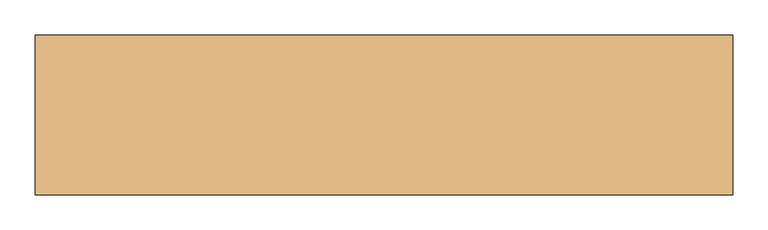
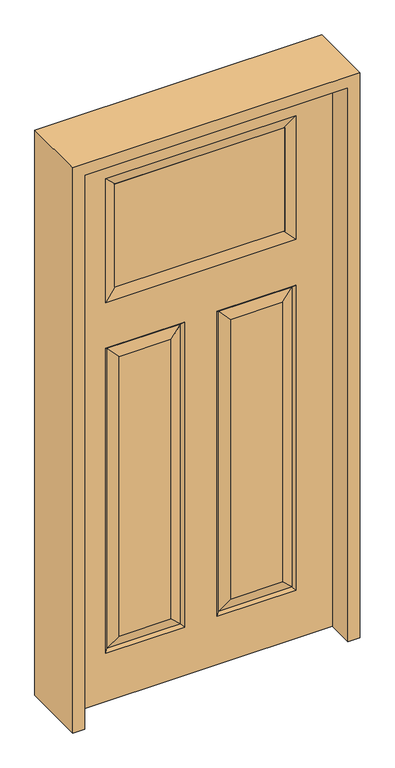
"""IFC4 building model written with IfcOpenShell, lengths in millimetres: door geometry."""

from ifc_helpers import new_model, si_unit, frame, origin, place, context, project, spatial, polyline, outline, extrude, faceted_brep, source, transform, mapped, element, save


def door_8adbeea7(model_context):
    return source(origin(), model_context, "Body", "SolidModel", [
        faceted_brep([(-457.2, -20.6375, 2032.0), (-457.2, 20.6375, 2032.0), (-457.2, 20.6375, 0.0), (-457.2, -20.6375, 0.0), (284.2895, 20.6375, 1249.4895), (284.2895, 20.6375, 223.7105), (103.0605, 20.6375, 223.7105), (103.0605, 20.6375, 1249.4895), (-284.2895, 20.6375, 223.7105), (-284.2895, 20.6375, 1249.4895), (-103.0605, 20.6375, 1249.4895), (-103.0605, 20.6375, 223.7105), (457.2, 20.6375, 2032.0), (457.2, 20.6375, 0.0), (330.327, 20.6375, 177.673), (330.327, 20.6375, 1295.527), (57.023, 20.6375, 1295.527), (57.023, 20.6375, 177.673), (-330.3984375, 20.6375, 1463.5757812), (330.3984375, 20.6375, 1463.5757812), (330.3984375, 20.6375, 1917.8984375), (-330.3984375, 20.6375, 1917.8984375), (-330.327, 20.6375, 1295.527), (-330.327, 20.6375, 177.673), (-57.023, 20.6375, 177.673), (-57.023, 20.6375, 1295.527), (-321.3467439, 11.6572439, 1286.5467439), (-321.3467439, 11.6572439, 186.6532561), (-66.0032561, 11.6572439, 186.6532561), (66.0032561, -11.6572439, 186.6532561), (103.0605, -20.6375, 223.7105), (103.0605, -20.6375, 1249.4895), (66.0032561, -11.6572439, 1286.5467439), (-103.0605, -20.6375, 223.7105), (-66.0032561, -11.6572439, 186.6532561), (-66.0032561, -11.6572439, 1286.5467439), (-103.0605, -20.6375, 1249.4895), (-321.3467439, -11.6572439, 186.6532561), (-330.327, -20.6375, 177.673), (-57.023, -20.6375, 177.673), (-330.3984375, -20.6375, 1463.5757812), (-293.3411936, -11.6572439, 1500.6330251), (-296.5161936, -12.4266566, 1500.584375), (-296.5161936, -12.4266566, 1880.8898438), (-293.3411936, -11.6572439, 1880.8898438), (-330.3984375, -20.6375, 1917.8984375), (293.3411936, -11.6572439, 1500.6330251), (330.3984375, -20.6375, 1463.5757812), (330.3984375, -20.6375, 1917.8984375), (293.3411936, -11.6572439, 1880.8411936), (296.5161936, -12.4266566, 1880.8898438), (296.5161936, -12.4266566, 1500.584375), (321.3467439, -11.6572439, 1286.5467439), (330.327, -20.6375, 1295.527), (57.023, -20.6375, 1295.527), (296.5161936, 12.4266566, 1880.8898438), (-296.5161936, 12.4266566, 1880.8898438), (-293.3411936, 11.6572439, 1880.8898438), (293.3411936, 11.6690335, 1880.8898438), (457.2, -20.6375, 0.0), (457.2, -20.6375, 2032.0), (284.2895, -20.6375, 223.7105), (284.2895, -20.6375, 1249.4895), (-284.2895, -20.6375, 1249.4895), (-284.2895, -20.6375, 223.7105), (-330.327, -20.6375, 1295.527), (-57.023, -20.6375, 1295.527), (330.327, -20.6375, 177.673), (57.023, -20.6375, 177.673), (321.3467439, 11.6572439, 186.6532561), (66.0032561, 11.6572439, 186.6532561), (321.3467439, -11.6572439, 186.6532561), (-321.3467439, -11.6572439, 1286.5467439), (293.3411936, 11.6572439, 1500.6330251), (296.5161936, 12.4266566, 1500.584375), (321.3467439, 11.6572439, 1286.5467439), (66.0032561, 11.6572439, 1286.5467439), (-66.0032561, 11.6572439, 1286.5467439), (-293.3411936, 11.6572439, 1500.6330251), (-296.5161936, 12.4266566, 1500.584375)], [[[0, 1, 2, 3]], [[4, 5, 6, 7]], [[8, 9, 10, 11]], [[1, 12, 13, 2], [14, 15, 16, 17], [18, 19, 20, 21], [22, 23, 24, 25]], [[26, 27, 23, 22]], [[27, 26, 9, 8]], [[27, 8, 11, 28]], [[29, 30, 31, 32]], [[33, 34, 35, 36]], [[37, 38, 39, 34]], [[40, 41, 42, 43, 44, 45]], [[46, 47, 48, 49, 50, 51]], [[52, 53, 54, 32]], [[55, 50, 49, 44, 43, 56, 57, 58]], [[47, 46, 41, 40]], [[13, 59, 3, 2]], [[12, 60, 59, 13]], [[61, 62, 31, 30]], [[63, 64, 33, 36]], [[60, 0, 3, 59], [38, 65, 66, 39], [47, 40, 45, 48], [53, 67, 68, 54]], [[12, 1, 0, 60]], [[69, 14, 17, 70]], [[71, 61, 30, 29]], [[68, 29, 32, 54]], [[37, 72, 65, 38]], [[19, 73, 74, 55, 58, 20]], [[14, 69, 75, 15]], [[70, 17, 16, 76]], [[75, 69, 5, 4]], [[5, 69, 70, 6]], [[6, 70, 76, 7]], [[23, 27, 28, 24]], [[24, 28, 77, 25]], [[28, 11, 10, 77]], [[61, 71, 52, 62]], [[52, 71, 67, 53]], [[67, 71, 29, 68]], [[72, 37, 64, 63]], [[64, 37, 34, 33]], [[34, 39, 66, 35]], [[20, 58, 57, 21]], [[78, 18, 21, 57, 56, 79]], [[49, 48, 45, 44]], [[62, 52, 32, 31]], [[15, 75, 76, 16]], [[75, 4, 7, 76]], [[56, 43, 42, 79]], [[79, 42, 41, 46, 51, 74, 73, 78]], [[50, 55, 74, 51]], [[73, 19, 18, 78]], [[72, 63, 36, 35]], [[65, 72, 35, 66]], [[26, 22, 25, 77]], [[9, 26, 77, 10]]]),
        extrude(outline(polyline([(296.5161936, -11.6572439), (-296.5161936, -11.6572439), (-296.5161936, 11.6572439), (296.5161936, 11.6572439), (296.5161936, -11.6572439)])), frame((0.0, 0.0, 1500.584375), z_axis=(0.0, 0.0, 1.0), x_axis=(1.0, 0.0, 0.0)), (0.0, 0.0, 1.0), 380.3054688),
        extrude(outline(polyline([(2073.275, -498.475), (0.0, -498.475), (0.0, -457.2), (2032.0, -457.2), (2032.0, 457.2), (0.0, 457.2), (0.0, 498.475), (2073.275, 498.475), (2073.275, -498.475)])), frame((0.0, -114.3, 0.0), z_axis=(0.0, 1.0, 0.0), x_axis=(0.0, 0.0, 1.0)), (0.0, 0.0, 1.0), 228.6),
    ])


if __name__ == "__main__":
    model = new_model("IFC4")
    model_context = context("Model", 3, world=origin())
    ifc_project = project(units=[si_unit("LENGTHUNIT", "METRE", prefix="MILLI")], contexts=[model_context])
    site = spatial("IfcSite", under=ifc_project)
    building = spatial("IfcBuilding", under=site)
    placement = place(None, origin())
    door_shape = door_8adbeea7(model_context)
    element("IfcDoor", 1, at=placement, inside=building, context=model_context, shape_type="MappedRepresentation", body=[
        mapped(door_shape, transform((0.0, 0.0, 0.0), x_axis=(1.0, 0.0, 0.0), y_axis=(0.0, 1.0, 0.0), z_axis=(0.0, 0.0, 1.0))),
    ])
    save(model, "model.ifc")
